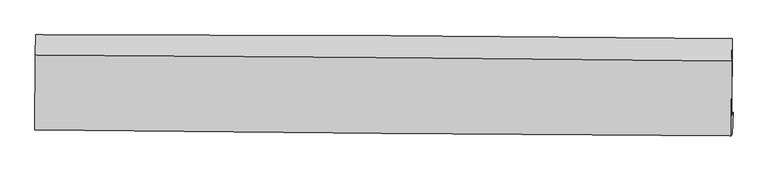
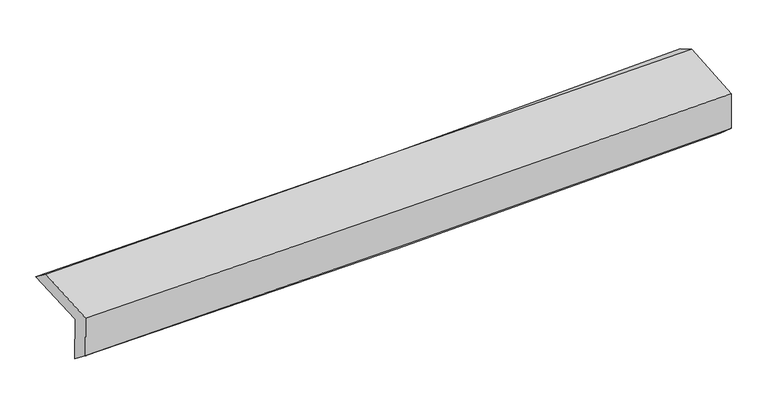
"""IFC4 building model written with IfcOpenShell, lengths in millimetres: proxy geometry."""

from ifc_helpers import new_model, si_unit, frame, origin, place, context, project, spatial, source, transform, mapped, element, save
from ifc_brep_helpers import plane_surface, spline_curve, spline_surface, advanced_brep


def generic_models_c8177faf(model_context):
    return source(origin(), model_context, "Body", "AdvancedBrep", [
        advanced_brep(
        [(-3041.7637136, -1762.7699354, 1951.3932618), (-3039.6210249, -1111.7758574, 1980.1034229), (3025.8734493, -1144.2415993, 2151.3579983), (3022.0645656, -1814.3754079, 2111.6659588), (-3030.5285671, -1738.5841357, 1541.9782847), (3033.4409353, -1789.8855983, 1697.1047303), (-3035.0889986, -1919.8559816, 1679.8363271), (3027.5909118, -1975.2930296, 1863.6836983), (-3045.8418088, -1942.446927, 2071.7666466), (3017.7165164, -1996.0415192, 2223.6491431), (-3044.1209703, -1288.2839393, 2116.5228431), (3021.273338, -1341.4336478, 2268.4862285)],
        [
            (0, 1),
            (1, 2, spline_curve(3, [(-3039.6210249, -1111.7758574, 1980.1034229), (-2028.072730497, -1112.097235598, 1981.474013925), (-1016.896926282, -1114.962818922, 1996.427423974), (1004.934730909, -1125.783600022, 2053.506233851), (2015.59041794, -1133.739930767, 2095.637682674), (3025.8734493, -1144.2415993, 2151.3579983)], [4, 2, 4], [0.0, 9.952377656383003, 19.906970942523287])),
            (2, 3),
            (3, 0, spline_curve(3, [(3022.0645656, -1814.3754079, 2111.6659588), (2011.984895299, -1802.822687949, 2061.044607511), (1001.569758047, -1792.745557676, 2022.37771768), (-1019.706484037, -1775.54439, 1968.958806402), (-2030.567440102, -1768.419696504, 1954.201463826), (-3041.7637136, -1762.7699354, 1951.3932618)], [4, 2, 4], [0.0, 9.954593286140284, 19.906970942523287])),
            (4, 0),
            (3, 5),
            (5, 4, spline_curve(3, [(3033.4409353, -1789.8855983, 1697.1047303), (2023.200172423, -1778.679661198, 1652.353686611), (1012.692726466, -1768.801242563, 1617.050573504), (-1008.63055942, -1751.701346241, 1565.345963777), (-2019.446281216, -1744.479276927, 1548.940261585), (-3030.5285671, -1738.5841357, 1541.9782847)], [4, 2, 4], [0.0, 9.952824421019795, 19.903433605985004])),
            (6, 4),
            (5, 7),
            (7, 6, spline_curve(3, [(3027.5909118, -1975.2930296, 1863.6836983), (2017.189982174, -1968.351560828, 1827.132012835), (1006.709951741, -1960.260430239, 1793.534179312), (-1014.183387147, -1941.780902518, 1732.253036829), (-2024.596660037, -1931.393017031, 1704.568413378), (-3035.0889986, -1919.8559816, 1679.8363271)], [4, 2, 4], [0.0, 9.951963176317498, 19.90171130827075])),
            (8, 6),
            (7, 9),
            (9, 8, spline_curve(3, [(3017.7165164, -1996.0415192, 2223.6491431), (2007.05367927, -1989.64982627, 2196.635542997), (996.369492077, -1981.987125153, 2170.470554157), (-1024.816625498, -1964.121695655, 2119.843433), (-2035.318546814, -1953.919532336, 2095.380923149), (-3045.8418088, -1942.446927, 2071.7666466)], [4, 2, 4], [0.0, 9.95141125416336, 19.900607586805783])),
            (10, 8),
            (9, 11),
            (11, 10, spline_curve(3, [(3021.273338, -1341.4336478, 2268.4862285), (2010.312874883, -1328.617608836, 2241.903513778), (999.326858794, -1317.780174379, 2215.947201185), (-1022.4712553, -1300.064485562, 2165.293018184), (-2033.283341976, -1293.185350559, 2140.59486884), (-3044.1209703, -1288.2839393, 2116.5228431)], [4, 2, 4], [0.0, 9.952905022893212, 19.90359479179199])),
            (1, 10),
            (11, 2),
        ],
        [
            spline_surface(3, 3, [[(-3041.7637136, -1762.7699354, 1951.3932618), (-2030.567439972, -1768.419696403, 1954.201463821), (-1019.706484192, -1775.544390148, 1968.95880632), (1001.569758202, -1792.745557528, 2022.377717762), (2011.984895464, -1802.822687961, 2061.044607573), (3022.0645656, -1814.3754079, 2111.6659588)], [(-3041.049484044, -1545.77190937, 1960.96331551), (-2029.735870207, -1549.645542791, 1963.292313892), (-1018.769964899, -1555.350533063, 1978.11501218), (1002.691415792, -1570.424904997, 2032.753889838), (2013.186736306, -1579.795102175, 2072.575632566), (3023.334193494, -1590.99747168, 2124.896638629)], [(-3040.335254456, -1328.77388343, 1970.53336919), (-2028.904300409, -1330.871389268, 1972.383163931), (-1017.833445622, -1335.156676035, 1987.271218008), (1003.813073366, -1348.104252525, 2043.130061882), (2014.388577167, -1356.76751645, 2084.106657573), (3024.603821406, -1367.61953552, 2138.127318471)], [(-3039.6210249, -1111.7758574, 1980.1034229), (-2028.072730643, -1112.097235657, 1981.474014002), (-1016.896926329, -1114.962818949, 1996.427423868), (1004.934730956, -1125.783599995, 2053.506233958), (2015.590418008, -1133.739930663, 2095.637682566), (3025.8734493, -1144.2415993, 2151.3579983)]], [4, 4], [4, 2, 4], [0.0, 2.179875204474148], [0.0, 9.952377656383003, 19.906970942523287]),
            spline_surface(3, 3, [[(-3030.5285671, -1738.5841357, 1541.9782847), (-2019.446281163, -1744.479276988, 1548.940261467), (-1008.630559565, -1751.701346077, 1565.345963669), (1012.692726611, -1768.801242728, 1617.050573612), (2023.200172462, -1778.679661186, 1652.353686619), (3033.4409353, -1789.8855983, 1697.1047303)], [(-3034.273615927, -1746.646068935, 1678.449943743), (-2023.153334093, -1752.459416795, 1684.027328927), (-1012.322534425, -1759.649027457, 1699.883577897), (1008.98507049, -1776.782681018, 1752.159621673), (2019.461746806, -1786.72733678, 1788.583993629), (3029.648812076, -1798.048868169, 1835.291806492)], [(-3038.018664773, -1754.708002165, 1814.921602757), (-2026.860387042, -1760.439556596, 1819.11439636), (-1016.014509332, -1767.596708768, 1834.421192092), (1005.277414323, -1784.764119238, 1887.268669701), (2015.723321121, -1794.775012367, 1924.814300563), (3025.856688824, -1806.212138031, 1973.478882608)], [(-3041.7637136, -1762.7699354, 1951.3932618), (-2030.567439972, -1768.419696403, 1954.201463821), (-1019.706484192, -1775.544390148, 1968.95880632), (1001.569758202, -1792.745557528, 2022.377717762), (2011.984895464, -1802.822687961, 2061.044607573), (3022.0645656, -1814.3754079, 2111.6659588)]], [4, 4], [4, 2, 4], [0.0, 1.3298140418230562], [0.0, 9.95060918496521, 19.903433605985004]),
            spline_surface(3, 3, [[(-3035.0889986, -1919.8559816, 1679.8363271), (-2024.596660056, -1931.393017088, 1704.568413383), (-1014.18338705, -1941.78090251, 1732.253036908), (1006.709951643, -1960.260430246, 1793.534179234), (2017.189982066, -1968.351560776, 1827.132012751), (3027.5909118, -1975.2930296, 1863.6836983)], [(-3033.568854764, -1859.432032994, 1633.8836463), (-2022.879867088, -1869.088437082, 1652.692362745), (-1012.332444548, -1878.421050343, 1676.617345806), (1008.704209973, -1896.440701051, 1734.706310672), (2019.193378858, -1905.127594243, 1768.872570691), (3029.540919626, -1913.490552497, 1808.157375617)], [(-3032.048710936, -1799.008084306, 1587.9309655), (-2021.16307413, -1806.783856994, 1600.816312105), (-1010.481502067, -1815.061198244, 1620.98165477), (1010.698468281, -1832.620971923, 1675.878442175), (2021.19677567, -1841.903627719, 1710.61312868), (3031.490927474, -1851.688075403, 1752.631052983)], [(-3030.5285671, -1738.5841357, 1541.9782847), (-2019.446281163, -1744.479276988, 1548.940261467), (-1008.630559565, -1751.701346077, 1565.345963669), (1012.692726611, -1768.801242728, 1617.050573612), (2023.200172462, -1778.679661186, 1652.353686619), (3033.4409353, -1789.8855983, 1697.1047303)]], [4, 4], [4, 2, 4], [0.0, 0.84226218326884], [0.0, 9.949748131953253, 19.90171130827075]),
            spline_surface(3, 3, [[(-3045.8418088, -1942.446927, 2071.7666466), (-2035.318546975, -1953.919532448, 2095.380923125), (-1024.81662565, -1964.1216955, 2119.843433017), (996.36949223, -1981.987125308, 2170.47055414), (2007.053679351, -1989.649826286, 2196.635543072), (3017.7165164, -1996.0415192, 2223.6491431)], [(-3042.257538755, -1934.916611864, 1941.123206754), (-2031.74458469, -1946.410693992, 1965.110086532), (-1021.272212796, -1956.674764516, 1990.646634336), (999.816312021, -1974.744893633, 2044.82509586), (2010.432446942, -1982.550404453, 2073.467699628), (3021.007981553, -1989.125356003, 2103.660661496)], [(-3038.673268645, -1927.386296736, 1810.479766946), (-2028.17062234, -1938.901855544, 1834.839249976), (-1017.727799904, -1949.227833495, 1861.449835589), (1003.263131852, -1967.502661921, 1919.179637514), (2013.811214475, -1975.450982609, 1950.299856196), (3024.299446647, -1982.209192797, 1983.672179904)], [(-3035.0889986, -1919.8559816, 1679.8363271), (-2024.596660056, -1931.393017088, 1704.568413383), (-1014.18338705, -1941.78090251, 1732.253036908), (1006.709951643, -1960.260430246, 1793.534179234), (2017.189982066, -1968.351560776, 1827.132012751), (3027.5909118, -1975.2930296, 1863.6836983)]], [4, 4], [4, 2, 4], [0.0, 1.256693786221741], [0.0, 9.949196332642423, 19.900607586805783]),
            spline_surface(3, 3, [[(-3044.1209703, -1288.2839393, 2116.5228431), (-2033.283341933, -1293.185350619, 2140.594868968), (-1022.471255319, -1300.064485554, 2165.293018201), (999.326858813, -1317.780174387, 2215.947201169), (2010.312874981, -1328.617608941, 2241.90351378), (3021.273338, -1341.4336478, 2268.4862285)], [(-3044.694583115, -1506.338268536, 2101.604110921), (-2033.961743595, -1513.430077897, 2125.523553675), (-1023.253045416, -1521.416888881, 2150.143156448), (998.341069966, -1539.182491372, 2200.7883188), (2009.226476441, -1548.961681405, 2226.814190226), (3020.087730803, -1559.636271615, 2253.540533381)], [(-3045.268195985, -1724.392597764, 2086.685378779), (-2034.640145313, -1733.674805169, 2110.452238418), (-1024.034835553, -1742.769292174, 2134.993294771), (997.355281078, -1760.584808323, 2185.629436508), (2008.140077891, -1769.305753823, 2211.724866627), (3018.902123597, -1777.838895385, 2238.594838219)], [(-3045.8418088, -1942.446927, 2071.7666466), (-2035.318546975, -1953.919532448, 2095.380923125), (-1024.81662565, -1964.1216955, 2119.843433017), (996.36949223, -1981.987125308, 2170.47055414), (2007.053679351, -1989.649826286, 2196.635543072), (3017.7165164, -1996.0415192, 2223.6491431)]], [4, 4], [4, 2, 4], [0.0, 2.1840277100906635], [0.0, 9.950689768898776, 19.90359479179199]),
            spline_surface(3, 3, [[(-3039.6210249, -1111.7758574, 1980.1034229), (-2028.072730643, -1112.097235657, 1981.474014002), (-1016.896926329, -1114.962818949, 1996.427423868), (1004.934730956, -1125.783599995, 2053.506233958), (2015.590418008, -1133.739930663, 2095.637682566), (3025.8734493, -1144.2415993, 2151.3579983)], [(-3041.121006695, -1170.611884701, 2025.576562971), (-2029.809601068, -1172.459940645, 2034.514298996), (-1018.75503602, -1176.66337448, 2052.715955316), (1003.065440214, -1189.782458121, 2107.653223032), (2013.83123698, -1198.699156759, 2144.392959623), (3024.340078848, -1209.972282136, 2190.400741686)], [(-3042.620988505, -1229.447911999, 2071.049703029), (-2031.546471509, -1232.822645631, 2087.554583975), (-1020.613145628, -1238.363930024, 2109.004486752), (1001.196149556, -1253.781316261, 2161.800212094), (2012.072056009, -1263.658382846, 2193.148236723), (3022.806708452, -1275.702964964, 2229.443485114)], [(-3044.1209703, -1288.2839393, 2116.5228431), (-2033.283341933, -1293.185350619, 2140.594868968), (-1022.471255319, -1300.064485554, 2165.293018201), (999.326858813, -1317.780174387, 2215.947201169), (2010.312874981, -1328.617608941, 2241.90351378), (3021.273338, -1341.4336478, 2268.4862285)]], [4, 4], [4, 2, 4], [0.0, 0.8236351908457195], [0.0, 9.952859658666355, 19.907935054394862]),
            plane_surface(frame((3024.6599527, -1676.878467, 2052.6579596), z_axis=(0.9996088883131892, -0.007280819355095603, 0.02700111247317162), x_axis=(0.027375789460973337, 0.057523145093845915, -0.997968764005117))),
            plane_surface(frame((-3039.4941806, -1627.2861294, 1890.2667977), z_axis=(-0.9996208490192869, 0.0044882562448028945, -0.02716640870341785), x_axis=(-0.00328819638896392, -0.9990235208633522, -0.04405896646880166))),
        ],
        [
            (0, [[1, 2, 3, 4]]),
            (1, [[5, -4, 6, 7]]),
            (2, [[8, -7, 9, 10]]),
            (3, [[11, -10, 12, 13]]),
            (4, [[14, -13, 15, 16]]),
            (5, [[17, -16, 18, -2]]),
            (6, [[-12, -9, -6, -3, -18, -15]]),
            (7, [[-1, -5, -8, -11, -14, -17]]),
        ],
    ),
    ])


if __name__ == "__main__":
    model = new_model("IFC4")
    model_context = context("Model", 3, world=origin())
    ifc_project = project(units=[si_unit("LENGTHUNIT", "METRE", prefix="MILLI")], contexts=[model_context])
    site = spatial("IfcSite", under=ifc_project)
    building = spatial("IfcBuilding", under=site)
    placement = place(None, origin())
    generic_models_shape = generic_models_c8177faf(model_context)
    element("IfcBuildingElementProxy", 1, Name="Generic Models", at=placement, inside=building, context=model_context, shape_type="MappedRepresentation", body=[
        mapped(generic_models_shape, transform((0.0, 0.0, 0.0), x_axis=(1.0, 0.0, 0.0), y_axis=(0.0, 1.0, 0.0), z_axis=(0.0, 0.0, 1.0))),
    ])
    save(model, "model.ifc")
